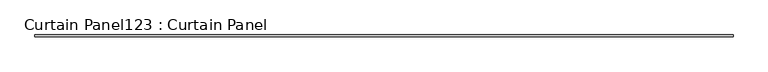
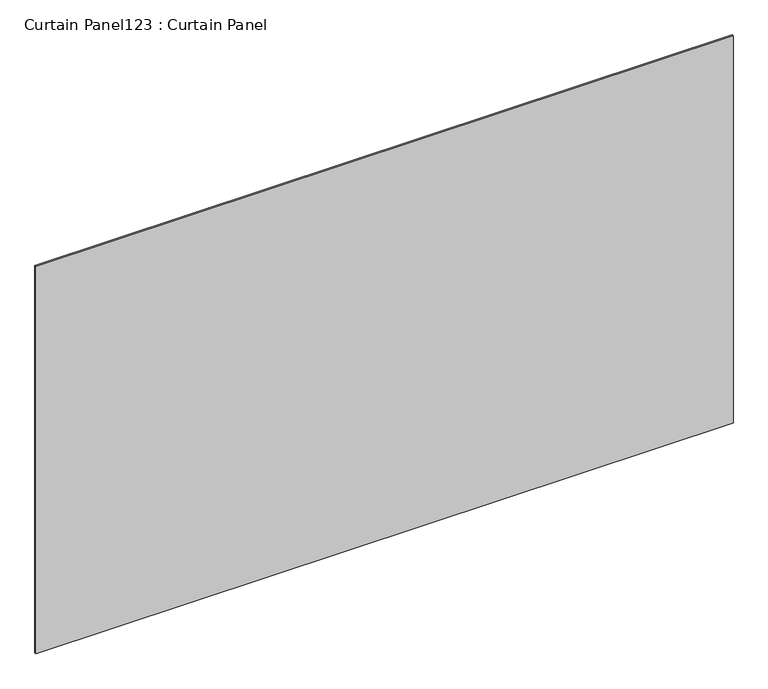
"""IFC4 building model written with IfcOpenShell, lengths in millimetres: plate geometry, Curtain Panel123 : Curtain Panel."""

from ifc_helpers import new_model, si_unit, frame, origin, place, context, project, spatial, polyline, outline, extrude, source, transform, mapped, element, save


def curtain_panel123_curtain_panel_2673a95c(model_context):
    return source(origin(), model_context, "Body", "SweptSolid", [
        extrude(outline(polyline([(280255.7063541, 2414.4484836), (277817.3063541, 2414.4484836), (277817.3063541, 2420.7984836), (280255.7063541, 2420.7984836), (280255.7063541, 2414.4484836)])), frame((0.0, 0.0, 4914.2249337), z_axis=(0.0, 0.0, 1.0), x_axis=(1.0, 0.0, 0.0)), (0.0, 0.0, 1.0), 1433.1091077),
    ])


if __name__ == "__main__":
    model = new_model("IFC4")
    model_context = context("Model", 3, world=origin())
    ifc_project = project(units=[si_unit("LENGTHUNIT", "METRE", prefix="MILLI")], contexts=[model_context])
    site = spatial("IfcSite", under=ifc_project)
    building = spatial("IfcBuilding", under=site)
    placement = place(None, origin())
    curtain_panel123_curtain_panel_shape = curtain_panel123_curtain_panel_2673a95c(model_context)
    element("IfcPlate", 1, ObjectType="Curtain Panel123 : Curtain Panel", at=placement, inside=building, context=model_context, shape_type="MappedRepresentation", body=[
        mapped(curtain_panel123_curtain_panel_shape, transform((0.0, 0.0, 0.0), x_axis=(1.0, 0.0, 0.0), y_axis=(0.0, 1.0, 0.0), z_axis=(0.0, 0.0, 1.0))),
    ])
    save(model, "model.ifc")
